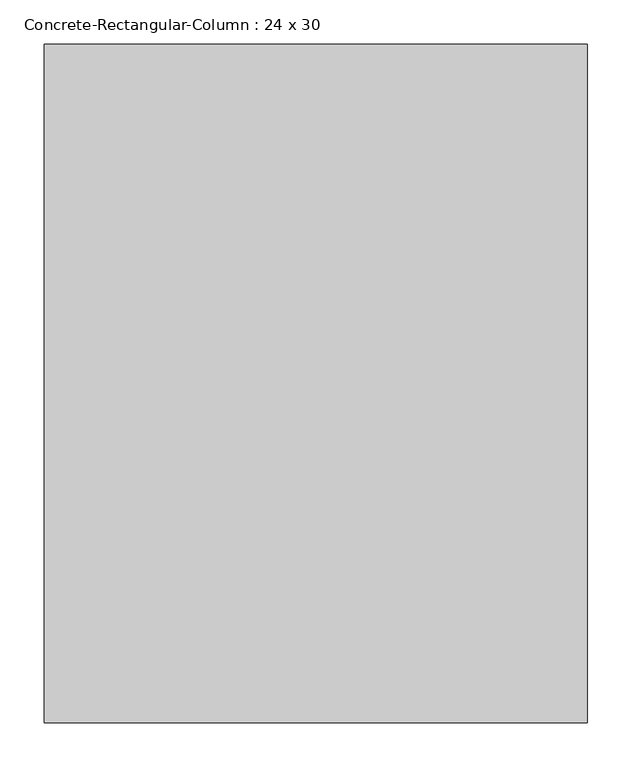
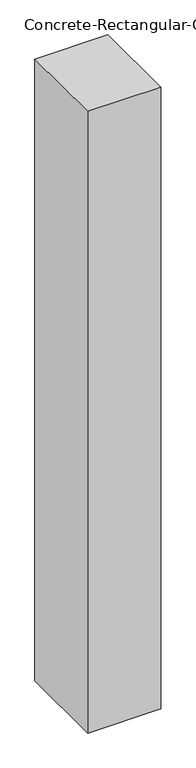
"""IFC4 building model written with IfcOpenShell, lengths in millimetres: column geometry, Concrete-Rectangular-Column : 24 x 30."""

from ifc_helpers import new_model, si_unit, origin, origin_with_axes, place, context, project, spatial, polyline, outline, extrude, source, transform, mapped, element, save


def concrete_rectangular_column_24_x_30_e770feb8(model_context):
    return source(origin(), model_context, "Body", "SweptSolid", [
        extrude(outline(polyline([(304.8, 381.0), (304.8, -381.0), (-304.8, -381.0), (-304.8, 381.0), (304.8, 381.0)])), origin_with_axes(), (0.0, 0.0, 1.0), 5486.4),
    ])


if __name__ == "__main__":
    model = new_model("IFC4")
    model_context = context("Model", 3, world=origin())
    ifc_project = project(units=[si_unit("LENGTHUNIT", "METRE", prefix="MILLI")], contexts=[model_context])
    site = spatial("IfcSite", under=ifc_project)
    building = spatial("IfcBuilding", under=site)
    placement = place(None, origin())
    concrete_rectangular_column_24_x_30_shape = concrete_rectangular_column_24_x_30_e770feb8(model_context)
    element("IfcColumn", 1, ObjectType="Concrete-Rectangular-Column : 24 x 30", at=placement, inside=building, context=model_context, shape_type="MappedRepresentation", body=[
        mapped(concrete_rectangular_column_24_x_30_shape, transform((0.0, 0.0, 0.0), x_axis=(1.0, 0.0, 0.0), y_axis=(0.0, 1.0, 0.0), z_axis=(0.0, 0.0, 1.0))),
    ])
    save(model, "model.ifc")
